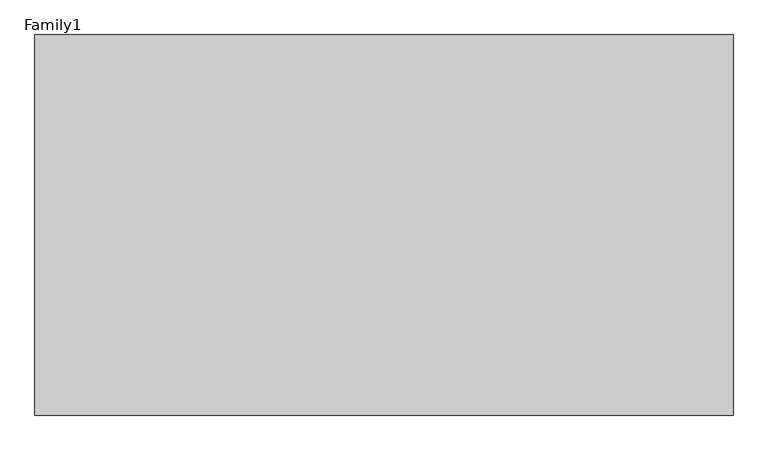
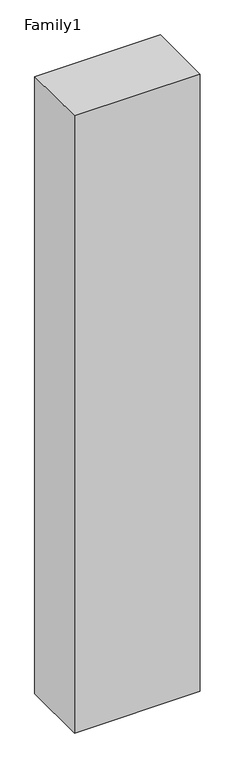
"""IFC4 building model written with IfcOpenShell, lengths in millimetres: proxy geometry, Family1."""

from ifc_helpers import new_model, si_unit, origin, origin_with_axes, place, context, project, spatial, polyline, outline, extrude, source, transform, mapped, element, save


def family1_eb2d8682(model_context):
    return source(origin(), model_context, "Body", "SweptSolid", [
        extrude(outline(polyline([(5500.0, 0.0), (0.0, 0.0), (0.0, 3000.0), (5500.0, 3000.0), (5500.0, 0.0)])), origin_with_axes(), (0.0, 0.0, 1.0), 28500.0),
    ])


if __name__ == "__main__":
    model = new_model("IFC4")
    model_context = context("Model", 3, world=origin())
    ifc_project = project(units=[si_unit("LENGTHUNIT", "METRE", prefix="MILLI")], contexts=[model_context])
    site = spatial("IfcSite", under=ifc_project)
    building = spatial("IfcBuilding", under=site)
    placement = place(None, origin())
    family1_shape = family1_eb2d8682(model_context)
    element("IfcBuildingElementProxy", 1, Name="Family1", ObjectType="Family1", at=placement, inside=building, context=model_context, shape_type="MappedRepresentation", body=[
        mapped(family1_shape, transform((0.0, 0.0, 0.0), x_axis=(1.0, 0.0, 0.0), y_axis=(0.0, 1.0, 0.0), z_axis=(0.0, 0.0, 1.0))),
    ])
    save(model, "model.ifc")
